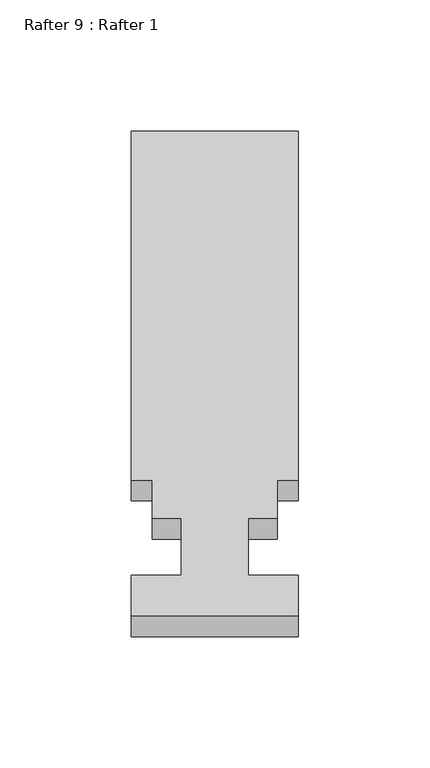
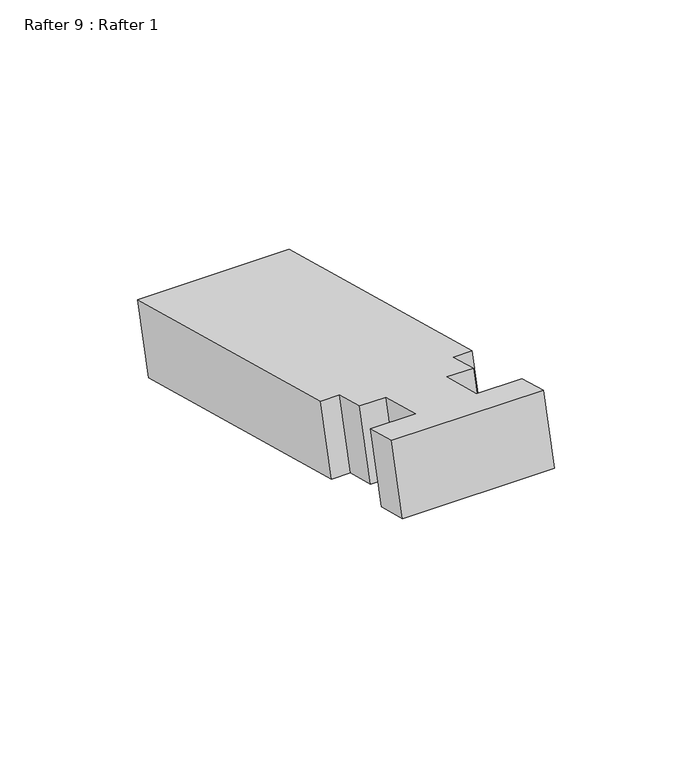
"""IFC4 building model written with IfcOpenShell, lengths in millimetres: proxy geometry, Rafter 9 : Rafter 1."""

from ifc_helpers import new_model, si_unit, frame, origin, place, context, project, spatial, polyline, outline, extrude, source, transform, mapped, element, save


def rafter_9_rafter_1_510836e1(model_context):
    return source(origin(), model_context, "Body", "SweptSolid", [
        extrude(outline(polyline([(0.0, 0.0), (63.5, 0.0), (63.5, -137.3378001), (55.5752, -137.3378001), (55.5752, -152.4000001), (44.45, -152.4000001), (44.45, -174.879), (63.5, -174.879), (63.5, -190.754), (0.0, -190.754), (0.0, -174.879), (19.05, -174.879), (19.05, -152.4000001), (7.9248, -152.4000001), (7.9248, -137.3378001), (0.0, -137.3378001), (0.0, 0.0)])), frame((-4207.6084739, 6649.535827, 922.5891137), z_axis=(0.0, 0.25881904510252424, 0.9659258262890674), x_axis=(1.0, 0.0, 0.0)), (0.0, 0.0, 1.0), 30.8235058),
    ])


if __name__ == "__main__":
    model = new_model("IFC4")
    model_context = context("Model", 3, world=origin())
    ifc_project = project(units=[si_unit("LENGTHUNIT", "METRE", prefix="MILLI")], contexts=[model_context])
    site = spatial("IfcSite", under=ifc_project)
    building = spatial("IfcBuilding", under=site)
    placement = place(None, origin())
    rafter_9_rafter_1_shape = rafter_9_rafter_1_510836e1(model_context)
    element("IfcBuildingElementProxy", 1, Name="Rafter 9 : Rafter 1", ObjectType="Rafter 9 : Rafter 1", at=placement, inside=building, context=model_context, shape_type="MappedRepresentation", body=[
        mapped(rafter_9_rafter_1_shape, transform((0.0, 0.0, 0.0), x_axis=(1.0, 0.0, 0.0), y_axis=(0.0, 1.0, 0.0), z_axis=(0.0, 0.0, 1.0))),
    ])
    save(model, "model.ifc")
